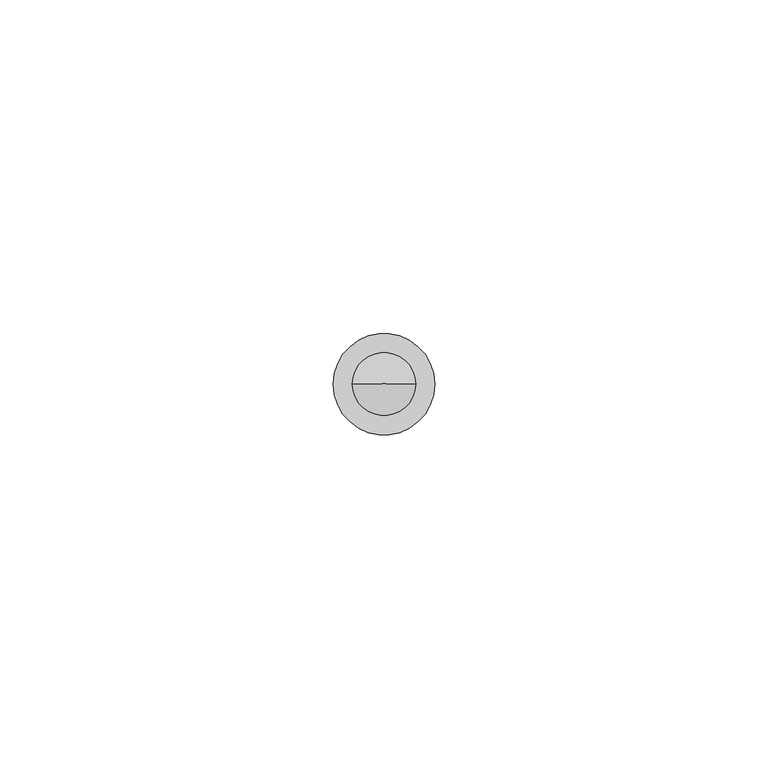
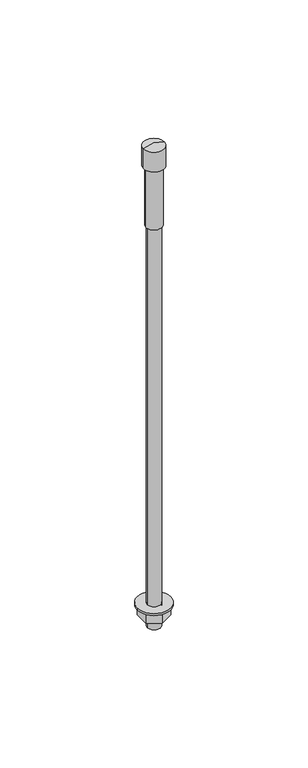
"""IFC4 building model written with IfcOpenShell, lengths in millimetres: proxy geometry."""

from ifc_helpers import new_model, si_unit, point, frame, origin, origin_2d, place, context, project, spatial, polyline, circle_curve, trimmed, segment, composite_curve, outline, extrude, source, transform, mapped, element, save
from ifc_brep_helpers import plane_surface, cylinder_surface, revolved_surface, advanced_brep


def generic_models_43c9f0a3(model_context):
    return source(origin(), model_context, "Body", "SolidModel", [
        advanced_brep(
        [(0.0, 0.0, 369.1656731), (-4.7318222, 0.0, 367.8977852), (4.7318222, 0.0, 367.8977852), (3.671637, 0.0, 329.8942257), (-3.671637, 0.0, 329.8942257), (0.0, 0.0, 329.8942257), (3.671637, 0.0, 358.4356931), (-3.671637, 0.0, 358.4356931), (4.7318222, 0.0, 358.4356931), (-4.7318222, 0.0, 358.4356931)],
        [
            (0, 1),
            (1, 2, circle_curve(frame((0.0, 0.0, 367.8977852), z_axis=(0.0, 0.0, 1.0), x_axis=(-1.0, 0.0, 0.0)), 4.7318222)),
            (2, 0),
            (2, 1, circle_curve(frame((0.0, 0.0, 367.8977852), z_axis=(0.0, 0.0, 1.0), x_axis=(-1.0, 0.0, 0.0)), 4.7318222)),
            (3, 4, circle_curve(frame((0.0, 0.0, 329.8942257), z_axis=(0.0, 0.0, -1.0), x_axis=(-1.0, 0.0, 0.0)), 3.671637)),
            (4, 5),
            (5, 3),
            (4, 3, circle_curve(frame((0.0, 0.0, 329.8942257), z_axis=(0.0, 0.0, -1.0), x_axis=(-1.0, 0.0, 0.0)), 3.671637)),
            (6, 7, circle_curve(frame((0.0, 0.0, 358.4356931), z_axis=(0.0, 0.0, -1.0), x_axis=(-1.0, 0.0, 0.0)), 3.671637)),
            (7, 4),
            (3, 6),
            (7, 6, circle_curve(frame((0.0, 0.0, 358.4356931), z_axis=(0.0, 0.0, -1.0), x_axis=(-1.0, 0.0, 0.0)), 3.671637)),
            (8, 9, circle_curve(frame((0.0, 0.0, 358.4356931), z_axis=(0.0, 0.0, -1.0), x_axis=(-1.0, 0.0, 0.0)), 4.7318222)),
            (9, 7),
            (6, 8),
            (9, 8, circle_curve(frame((0.0, 0.0, 358.4356931), z_axis=(0.0, 0.0, -1.0), x_axis=(-1.0, 0.0, 0.0)), 4.7318222)),
            (1, 9),
            (8, 2),
        ],
        [
            revolved_surface(polyline([(-4.7318222, 0.0, 367.8977852), (0.0, 0.0, 369.1656731)]), (0.0, 0.0, 337.7924993), (0.0, 0.0, 1.0)),
            plane_surface(frame((0.0, 0.0, 329.8942257), z_axis=(0.0, 0.0, -1.0), x_axis=(-1.0, 0.0, 0.0))),
            cylinder_surface(frame((0.0, 0.0, 337.7924993), z_axis=(0.0, 0.0, 1.0), x_axis=(-1.0, 0.0, 0.0)), 3.671637),
            plane_surface(frame((0.0, 0.0, 358.4356931), z_axis=(0.0, 0.0, -1.0), x_axis=(-1.0, 0.0, 0.0))),
            cylinder_surface(frame((0.0, 0.0, 337.7924993), z_axis=(0.0, 0.0, 1.0), x_axis=(-1.0, 0.0, 0.0)), 4.7318222),
        ],
        [
            (0, [[1, 2, 3]]),
            (0, [[-3, 4, -1]]),
            (1, [[5, 6, 7]]),
            (1, [[8, -7, -6]]),
            (2, [[9, 10, -5, 11]]),
            (2, [[12, -11, -8, -10]]),
            (3, [[13, 14, -9, 15]]),
            (3, [[16, -15, -12, -14]]),
            (4, [[-2, 17, -13, 18]]),
            (4, [[-4, -18, -16, -17]]),
        ],
    ),
        extrude(outline(composite_curve([segment(trimmed(circle_curve(origin_2d(), 7.6155736), [point((7.6155736, 0.0))], [point((-7.6155736, 0.0))], False, "CARTESIAN"), True, "CONTINUOUS"), segment(trimmed(circle_curve(origin_2d(), 7.6155736), [point((-7.6155736, 0.0))], [point((7.6155736, 0.0))], False, "CARTESIAN"), True, "CONTINUOUS")], self_intersect=False), holes=[composite_curve([segment(trimmed(circle_curve(origin_2d(), 3.0), [point((3.0, 0.0))], [point((-3.0, 0.0))], True, "CARTESIAN"), True, "CONTINUOUS"), segment(trimmed(circle_curve(origin_2d(), 3.0), [point((-3.0, 0.0))], [point((3.0, 0.0))], True, "CARTESIAN"), True, "CONTINUOUS")], self_intersect=False)]), frame((0.0, 0.0, 147.9339984), z_axis=(0.0, 0.0, 1.0), x_axis=(1.0, 0.0, 0.0)), (0.0, 0.0, 1.0), 1.0),
        extrude(outline(polyline([(0.0, 6.6082069), (5.722875, 3.3041034), (5.722875, -3.3041034), (0.0, -6.6082069), (-5.722875, -3.3041034), (-5.722875, 3.3041034), (0.0, 6.6082069)]), holes=[composite_curve([segment(trimmed(circle_curve(origin_2d(), 3.0), [point((3.0, 0.0))], [point((-3.0, 0.0))], True, "CARTESIAN"), True, "CONTINUOUS"), segment(trimmed(circle_curve(origin_2d(), 3.0), [point((-3.0, 0.0))], [point((3.0, 0.0))], True, "CARTESIAN"), True, "CONTINUOUS")], self_intersect=False)]), frame((0.0, 0.0, 142.9339984), z_axis=(0.0, 0.0, 1.0), x_axis=(1.0, 0.0, 0.0)), (0.0, 0.0, 1.0), 5.0),
        extrude(outline(composite_curve([segment(trimmed(circle_curve(origin_2d(), 3.0), [point((3.0, 0.0))], [point((-3.0, 0.0))], False, "CARTESIAN"), True, "CONTINUOUS"), segment(trimmed(circle_curve(origin_2d(), 3.0), [point((-3.0, 0.0))], [point((3.0, 0.0))], False, "CARTESIAN"), True, "CONTINUOUS")], self_intersect=False)), frame((0.0, 0.0, 137.8977852), z_axis=(0.0, 0.0, 1.0), x_axis=(1.0, 0.0, 0.0)), (0.0, 0.0, 1.0), 230.0),
    ])


if __name__ == "__main__":
    model = new_model("IFC4")
    model_context = context("Model", 3, world=origin())
    ifc_project = project(units=[si_unit("LENGTHUNIT", "METRE", prefix="MILLI")], contexts=[model_context])
    site = spatial("IfcSite", under=ifc_project)
    building = spatial("IfcBuilding", under=site)
    placement = place(None, origin())
    generic_models_shape = generic_models_43c9f0a3(model_context)
    element("IfcBuildingElementProxy", 1, Name="Generic Models", at=placement, inside=building, context=model_context, shape_type="MappedRepresentation", body=[
        mapped(generic_models_shape, transform((0.0, 0.0, 0.0), x_axis=(1.0, 0.0, 0.0), y_axis=(0.0, 1.0, 0.0), z_axis=(0.0, 0.0, 1.0))),
    ])
    save(model, "model.ifc")
